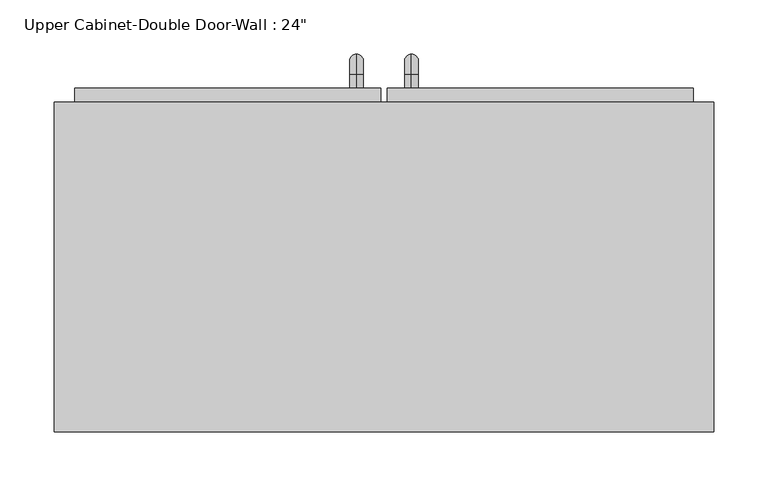
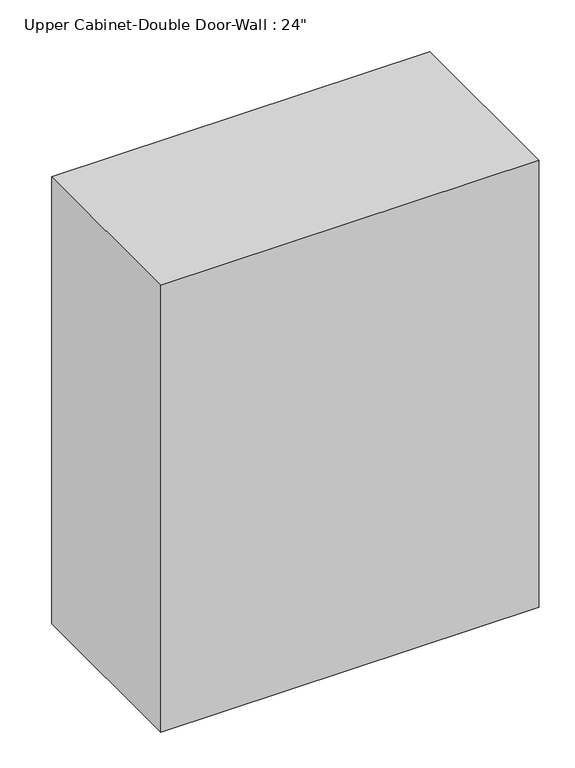
"""IFC4 building model written with IfcOpenShell, lengths in millimetres: furniture geometry."""

from ifc_helpers import new_model, si_unit, point, frame, origin, place, context, project, spatial, polyline, circle_curve, ellipse_curve, trimmed, outline, extrude, faceted_brep, source, transform, mapped, element, save
from ifc_brep_helpers import plane_surface, cylinder_surface, revolved_surface, advanced_brep


def furniture_8e19881c(model_context):
    return source(origin(), model_context, "Body", "SolidModel", [
        faceted_brep([(-275.0288372, 69.85, 2133.6), (-275.0288372, 69.85, 1371.6), (334.5711628, 69.85, 1371.6), (334.5711628, 69.85, 2133.6), (-275.0288372, 374.65, 2133.6), (334.5711628, 374.65, 2133.6), (334.5711628, 374.65, 1371.6), (-275.0288372, 374.65, 1371.6), (-255.9788372, 374.65, 2114.55), (-255.9788372, 374.65, 1390.65), (315.5211628, 374.65, 1390.65), (315.5211628, 374.65, 2114.55), (315.5211628, 88.9, 2114.55), (-255.9788372, 88.9, 2114.55), (315.5211628, 88.9, 1390.65), (-255.9788372, 88.9, 1390.65)], [[[0, 1, 2, 3]], [[4, 5, 6, 7], [8, 9, 10, 11]], [[1, 0, 4, 7]], [[2, 1, 7, 6]], [[3, 2, 6, 5]], [[0, 3, 5, 4]], [[8, 11, 12, 13]], [[11, 10, 14, 12]], [[10, 9, 15, 14]], [[9, 8, 13, 15]], [[13, 12, 14, 15]]]),
        advanced_brep(
        [(55.1711628, 387.35, 1517.65), (55.1711628, 387.35, 1530.35), (55.1711628, 400.05, 1517.65), (55.1711628, 400.05, 1530.35), (55.1711628, 419.1, 1511.3), (55.1711628, 406.4, 1511.3), (55.1711628, 406.4, 1435.1), (55.1711628, 419.1, 1435.1), (55.1711628, 400.05, 1416.05), (55.1711628, 400.05, 1428.75), (55.1711628, 387.35, 1428.75), (55.1711628, 387.35, 1416.05)],
        [
            (0, 1, circle_curve(frame((55.1711628, 387.35, 1524.0), z_axis=(0.0, -1.0, 0.0), x_axis=(0.0, 0.0, -1.0)), 6.35)),
            (1, 0, circle_curve(frame((55.1711628, 387.35, 1524.0), z_axis=(0.0, -1.0, 0.0), x_axis=(0.0, 0.0, -1.0)), 6.35)),
            (0, 2),
            (2, 3, circle_curve(frame((55.1711628, 400.05, 1524.0), z_axis=(0.0, -1.0, 0.0), x_axis=(0.0, 0.0, -1.0)), 6.35)),
            (3, 1),
            (3, 2, circle_curve(frame((55.1711628, 400.05, 1524.0), z_axis=(0.0, -1.0, 0.0), x_axis=(0.0, 0.0, -1.0)), 6.35)),
            (4, 3, circle_curve(frame((55.1711628, 400.05, 1511.3), z_axis=(1.0, 0.0, 0.0), x_axis=(0.0, 0.0, 1.0)), 19.05)),
            (2, 5, circle_curve(frame((55.1711628, 400.05, 1511.3), z_axis=(-1.0, 0.0, 0.0), x_axis=(0.0, 0.0, 1.0)), 6.35)),
            (5, 4, circle_curve(frame((55.1711628, 412.75, 1511.3), z_axis=(0.0, 0.0, 1.0), x_axis=(0.0, -1.0, 0.0)), 6.35)),
            (4, 5, circle_curve(frame((55.1711628, 412.75, 1511.3), z_axis=(0.0, 0.0, 1.0), x_axis=(0.0, -1.0, 0.0)), 6.35)),
            (5, 6),
            (6, 7, circle_curve(frame((55.1711628, 412.75, 1435.1), z_axis=(0.0, 0.0, 1.0), x_axis=(0.0, -1.0, 0.0)), 6.35)),
            (7, 4),
            (7, 6, circle_curve(frame((55.1711628, 412.75, 1435.1), z_axis=(0.0, 0.0, 1.0), x_axis=(0.0, -1.0, 0.0)), 6.35)),
            (8, 7, circle_curve(frame((55.1711628, 400.05, 1435.1), z_axis=(1.0, 0.0, 0.0), x_axis=(0.0, 1.0, 0.0)), 19.05)),
            (6, 9, circle_curve(frame((55.1711628, 400.05, 1435.1), z_axis=(-1.0, 0.0, 0.0), x_axis=(0.0, 1.0, 0.0)), 6.35)),
            (9, 8, circle_curve(frame((55.1711628, 400.05, 1422.4), z_axis=(0.0, 1.0, 0.0), x_axis=(0.0, 0.0, 1.0)), 6.35)),
            (8, 9, circle_curve(frame((55.1711628, 400.05, 1422.4), z_axis=(0.0, 1.0, 0.0), x_axis=(0.0, 0.0, 1.0)), 6.35)),
            (10, 11, circle_curve(frame((55.1711628, 387.35, 1422.4), z_axis=(0.0, -1.0, 0.0), x_axis=(0.0, 0.0, 1.0)), 6.35)),
            (11, 10, circle_curve(frame((55.1711628, 387.35, 1422.4), z_axis=(0.0, -1.0, 0.0), x_axis=(0.0, 0.0, 1.0)), 6.35)),
            (9, 10),
            (11, 8),
        ],
        [
            plane_surface(frame((48.8211628, 387.35, 1524.0), z_axis=(0.0, -1.0, 0.0), x_axis=(0.0, 0.0, 1.0))),
            cylinder_surface(frame((55.1711628, 387.35, 1524.0), z_axis=(0.0, -1.0, 0.0), x_axis=(0.0, 0.0, -1.0)), 6.35),
            revolved_surface(trimmed(ellipse_curve(frame((55.1711628, 400.05, 1524.0), z_axis=(0.0, -1.0, 0.0), x_axis=(0.0, 0.0, -1.0)), 6.35, 6.35), [point((55.1711628, 400.05, 1517.65))], [point((55.1711628, 400.05, 1530.35))], True, "CARTESIAN"), (55.1711628, 400.05, 1511.3), (-1.0, 0.0, 0.0)),
            revolved_surface(trimmed(ellipse_curve(frame((55.1711628, 400.05, 1524.0), z_axis=(0.0, -1.0, 0.0), x_axis=(0.0, 0.0, -1.0)), 6.35, 6.35), [point((55.1711628, 400.05, 1530.35))], [point((55.1711628, 400.05, 1517.65))], True, "CARTESIAN"), (55.1711628, 400.05, 1511.3), (-1.0, 0.0, 0.0)),
            cylinder_surface(frame((55.1711628, 412.75, 1511.3), z_axis=(0.0, 0.0, 1.0), x_axis=(0.0, -1.0, 0.0)), 6.35),
            revolved_surface(trimmed(ellipse_curve(frame((55.1711628, 412.75, 1435.1), z_axis=(0.0, 0.0, 1.0), x_axis=(0.0, -1.0, 0.0)), 6.35, 6.35), [point((55.1711628, 406.4, 1435.1))], [point((55.1711628, 419.1, 1435.1))], True, "CARTESIAN"), (55.1711628, 400.05, 1435.1), (-1.0, 0.0, 0.0)),
            revolved_surface(trimmed(ellipse_curve(frame((55.1711628, 412.75, 1435.1), z_axis=(0.0, 0.0, 1.0), x_axis=(0.0, -1.0, 0.0)), 6.35, 6.35), [point((55.1711628, 419.1, 1435.1))], [point((55.1711628, 406.4, 1435.1))], True, "CARTESIAN"), (55.1711628, 400.05, 1435.1), (-1.0, 0.0, 0.0)),
            plane_surface(frame((48.8211628, 387.35, 1422.4), z_axis=(0.0, -1.0, 0.0), x_axis=(0.0, 0.0, -1.0))),
            cylinder_surface(frame((55.1711628, 400.05, 1422.4), z_axis=(0.0, 1.0, 0.0), x_axis=(0.0, 0.0, 1.0)), 6.35),
        ],
        [
            (0, [[1, 2]]),
            (1, [[-1, 3, 4, 5]]),
            (1, [[-2, -5, 6, -3]]),
            (2, [[7, -4, 8, 9]]),
            (3, [[-8, -6, -7, 10]]),
            (4, [[-9, 11, 12, 13]]),
            (4, [[-10, -13, 14, -11]]),
            (5, [[15, -12, 16, 17]]),
            (6, [[-16, -14, -15, 18]]),
            (7, [[19, 20]]),
            (8, [[-17, 21, -20, 22]]),
            (8, [[-18, -22, -19, -21]]),
        ],
    ),
        advanced_brep(
        [(4.3711628, 387.35, 1517.65), (4.3711628, 387.35, 1530.35), (4.3711628, 400.05, 1517.65), (4.3711628, 400.05, 1530.35), (4.3711628, 419.1, 1511.3), (4.3711628, 406.4, 1511.3), (4.3711628, 406.4, 1435.1), (4.3711628, 419.1, 1435.1), (4.3711628, 400.05, 1416.05), (4.3711628, 400.05, 1428.75), (4.3711628, 387.35, 1428.75), (4.3711628, 387.35, 1416.05)],
        [
            (0, 1, circle_curve(frame((4.3711628, 387.35, 1524.0), z_axis=(0.0, -1.0, 0.0), x_axis=(0.0, 0.0, 1.0)), 6.35)),
            (1, 0, circle_curve(frame((4.3711628, 387.35, 1524.0), z_axis=(0.0, -1.0, 0.0), x_axis=(0.0, 0.0, 1.0)), 6.35)),
            (0, 2),
            (2, 3, circle_curve(frame((4.3711628, 400.05, 1524.0), z_axis=(0.0, -1.0, 0.0), x_axis=(0.0, 0.0, 1.0)), 6.35)),
            (3, 1),
            (3, 2, circle_curve(frame((4.3711628, 400.05, 1524.0), z_axis=(0.0, -1.0, 0.0), x_axis=(0.0, 0.0, 1.0)), 6.35)),
            (4, 3, circle_curve(frame((4.3711628, 400.05, 1511.3), z_axis=(1.0, 0.0, 0.0), x_axis=(0.0, 0.0, 1.0)), 19.05)),
            (2, 5, circle_curve(frame((4.3711628, 400.05, 1511.3), z_axis=(-1.0, 0.0, 0.0), x_axis=(0.0, 0.0, 1.0)), 6.35)),
            (5, 4, circle_curve(frame((4.3711628, 412.75, 1511.3), z_axis=(0.0, 0.0, 1.0), x_axis=(0.0, 1.0, 0.0)), 6.35)),
            (4, 5, circle_curve(frame((4.3711628, 412.75, 1511.3), z_axis=(0.0, 0.0, 1.0), x_axis=(0.0, 1.0, 0.0)), 6.35)),
            (5, 6),
            (6, 7, circle_curve(frame((4.3711628, 412.75, 1435.1), z_axis=(0.0, 0.0, 1.0), x_axis=(0.0, 1.0, 0.0)), 6.35)),
            (7, 4),
            (7, 6, circle_curve(frame((4.3711628, 412.75, 1435.1), z_axis=(0.0, 0.0, 1.0), x_axis=(0.0, 1.0, 0.0)), 6.35)),
            (8, 7, circle_curve(frame((4.3711628, 400.05, 1435.1), z_axis=(1.0, 0.0, 0.0), x_axis=(0.0, 1.0, 0.0)), 19.05)),
            (6, 9, circle_curve(frame((4.3711628, 400.05, 1435.1), z_axis=(-1.0, 0.0, 0.0), x_axis=(0.0, 1.0, 0.0)), 6.35)),
            (9, 8, circle_curve(frame((4.3711628, 400.05, 1422.4), z_axis=(0.0, 1.0, 0.0), x_axis=(0.0, 0.0, -1.0)), 6.35)),
            (8, 9, circle_curve(frame((4.3711628, 400.05, 1422.4), z_axis=(0.0, 1.0, 0.0), x_axis=(0.0, 0.0, -1.0)), 6.35)),
            (10, 11, circle_curve(frame((4.3711628, 387.35, 1422.4), z_axis=(0.0, -1.0, 0.0), x_axis=(0.0, 0.0, -1.0)), 6.35)),
            (11, 10, circle_curve(frame((4.3711628, 387.35, 1422.4), z_axis=(0.0, -1.0, 0.0), x_axis=(0.0, 0.0, -1.0)), 6.35)),
            (9, 10),
            (11, 8),
        ],
        [
            plane_surface(frame((-1.9788372, 387.35, 1524.0), z_axis=(0.0, -1.0, 0.0), x_axis=(0.0, 0.0, 1.0))),
            cylinder_surface(frame((4.3711628, 387.35, 1524.0), z_axis=(0.0, -1.0, 0.0), x_axis=(0.0, 0.0, 1.0)), 6.35),
            revolved_surface(trimmed(ellipse_curve(frame((4.3711628, 400.05, 1524.0), z_axis=(0.0, -1.0, 0.0), x_axis=(0.0, 0.0, 1.0)), 6.35, 6.35), [point((4.3711628, 400.05, 1517.65))], [point((4.3711628, 400.05, 1530.35))], True, "CARTESIAN"), (4.3711628, 400.05, 1511.3), (-1.0, 0.0, 0.0)),
            revolved_surface(trimmed(ellipse_curve(frame((4.3711628, 400.05, 1524.0), z_axis=(0.0, -1.0, 0.0), x_axis=(0.0, 0.0, 1.0)), 6.35, 6.35), [point((4.3711628, 400.05, 1530.35))], [point((4.3711628, 400.05, 1517.65))], True, "CARTESIAN"), (4.3711628, 400.05, 1511.3), (-1.0, 0.0, 0.0)),
            cylinder_surface(frame((4.3711628, 412.75, 1511.3), z_axis=(0.0, 0.0, 1.0), x_axis=(0.0, 1.0, 0.0)), 6.35),
            revolved_surface(trimmed(ellipse_curve(frame((4.3711628, 412.75, 1435.1), z_axis=(0.0, 0.0, 1.0), x_axis=(0.0, 1.0, 0.0)), 6.35, 6.35), [point((4.3711628, 406.4, 1435.1))], [point((4.3711628, 419.1, 1435.1))], True, "CARTESIAN"), (4.3711628, 400.05, 1435.1), (-1.0, 0.0, 0.0)),
            revolved_surface(trimmed(ellipse_curve(frame((4.3711628, 412.75, 1435.1), z_axis=(0.0, 0.0, 1.0), x_axis=(0.0, 1.0, 0.0)), 6.35, 6.35), [point((4.3711628, 419.1, 1435.1))], [point((4.3711628, 406.4, 1435.1))], True, "CARTESIAN"), (4.3711628, 400.05, 1435.1), (-1.0, 0.0, 0.0)),
            plane_surface(frame((-1.9788372, 387.35, 1422.4), z_axis=(0.0, -1.0, 0.0), x_axis=(0.0, 0.0, -1.0))),
            cylinder_surface(frame((4.3711628, 400.05, 1422.4), z_axis=(0.0, 1.0, 0.0), x_axis=(0.0, 0.0, -1.0)), 6.35),
        ],
        [
            (0, [[1, 2]]),
            (1, [[-1, 3, 4, 5]]),
            (1, [[-2, -5, 6, -3]]),
            (2, [[7, -4, 8, 9]]),
            (3, [[-8, -6, -7, 10]]),
            (4, [[-9, 11, 12, 13]]),
            (4, [[-10, -13, 14, -11]]),
            (5, [[15, -12, 16, 17]]),
            (6, [[-16, -14, -15, 18]]),
            (7, [[19, 20]]),
            (8, [[-17, 21, -20, 22]]),
            (8, [[-18, -22, -19, -21]]),
        ],
    ),
        extrude(outline(polyline([(32.9461628, 387.35), (315.5211628, 387.35), (315.5211628, 355.6), (32.9461628, 355.6), (32.9461628, 387.35)])), frame((0.0, 0.0, 1390.65), z_axis=(0.0, 0.0, 1.0), x_axis=(1.0, 0.0, 0.0)), (0.0, 0.0, 1.0), 723.9),
        extrude(outline(polyline([(-255.9788372, 387.35), (26.5961628, 387.35), (26.5961628, 355.6), (-255.9788372, 355.6), (-255.9788372, 387.35)])), frame((0.0, 0.0, 1390.65), z_axis=(0.0, 0.0, 1.0), x_axis=(1.0, 0.0, 0.0)), (0.0, 0.0, 1.0), 723.9),
    ])


if __name__ == "__main__":
    model = new_model("IFC4")
    model_context = context("Model", 3, world=origin())
    ifc_project = project(units=[si_unit("LENGTHUNIT", "METRE", prefix="MILLI")], contexts=[model_context])
    site = spatial("IfcSite", under=ifc_project)
    building = spatial("IfcBuilding", under=site)
    placement = place(None, origin())
    furniture_shape = furniture_8e19881c(model_context)
    element("IfcFurniture", 1, ObjectType="Upper Cabinet-Double Door-Wall : 24\"", at=placement, inside=building, context=model_context, shape_type="MappedRepresentation", body=[
        mapped(furniture_shape, transform((0.0, 0.0, 0.0), x_axis=(1.0, 0.0, 0.0), y_axis=(0.0, 1.0, 0.0), z_axis=(0.0, 0.0, 1.0))),
    ])
    save(model, "model.ifc")
